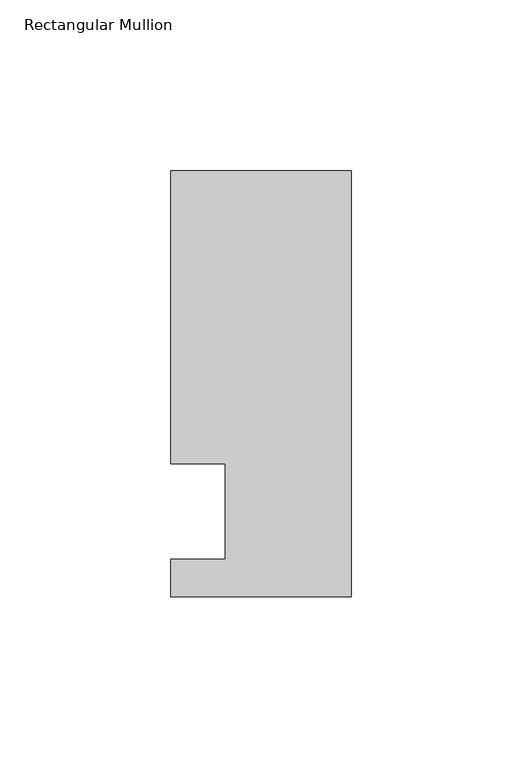
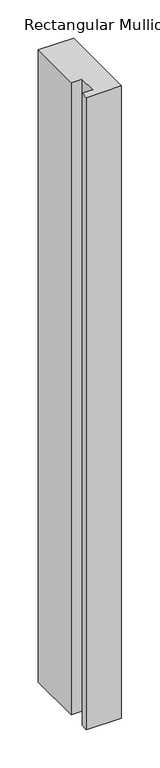
"""IFC4 building model written with IfcOpenShell, lengths in millimetres: member geometry, Rectangular Mullion."""

from ifc_helpers import new_model, si_unit, frame, origin, place, context, project, spatial, polyline, outline, extrude, source, transform, mapped, element, save


def rectangular_mullion_60462d99(model_context):
    return source(origin(), model_context, "Body", "SweptSolid", [
        extrude(outline(polyline([(0.0, -25.0), (-53.0, -25.0), (-53.0, -14.0), (-37.0, -14.0), (-37.0, 14.0), (-53.0, 14.0), (-53.0, 100.0), (0.0, 100.0), (0.0, -25.0)])), frame((0.0, 0.0, -1006.6623342), z_axis=(0.0, 0.0, 1.0), x_axis=(1.0, 0.0, 0.0)), (0.0, 0.0, 1.0), 1006.6623342),
    ])


if __name__ == "__main__":
    model = new_model("IFC4")
    model_context = context("Model", 3, world=origin())
    ifc_project = project(units=[si_unit("LENGTHUNIT", "METRE", prefix="MILLI")], contexts=[model_context])
    site = spatial("IfcSite", under=ifc_project)
    building = spatial("IfcBuilding", under=site)
    placement = place(None, origin())
    rectangular_mullion_shape = rectangular_mullion_60462d99(model_context)
    element("IfcMember", 1, ObjectType="Rectangular Mullion", at=placement, inside=building, context=model_context, shape_type="MappedRepresentation", body=[
        mapped(rectangular_mullion_shape, transform((0.0, 0.0, 0.0), x_axis=(1.0, 0.0, 0.0), y_axis=(0.0, 1.0, 0.0), z_axis=(0.0, 0.0, 1.0))),
    ])
    save(model, "model.ifc")
